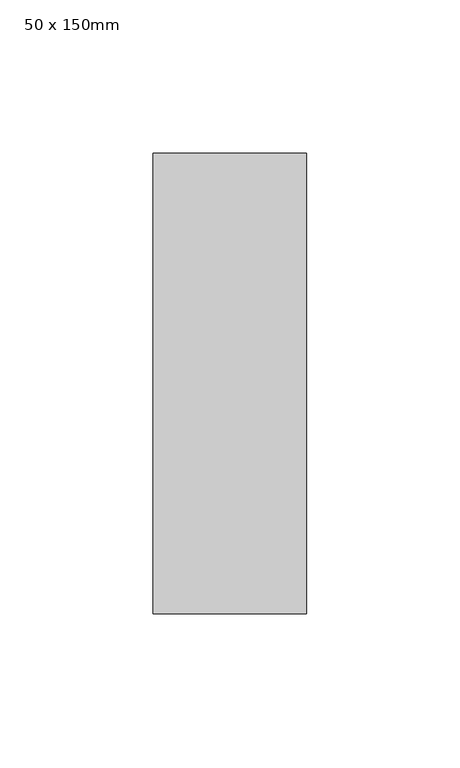
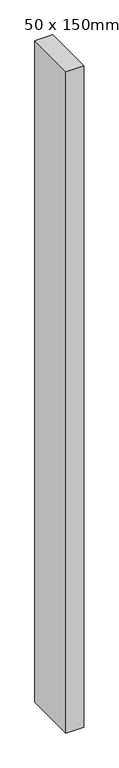
"""IFC4 building model written with IfcOpenShell, lengths in millimetres: member geometry, 50 x 150mm."""

from ifc_helpers import new_model, si_unit, frame, origin, place, context, project, spatial, polyline, outline, extrude, source, transform, mapped, element, save


def member_50_x_150mm_e1845f1f(model_context):
    return source(origin(), model_context, "Body", "SweptSolid", [
        extrude(outline(polyline([(0.0, 75.0), (0.0, -75.0), (-50.0, -75.0), (-50.0, 75.0), (0.0, 75.0)])), frame((0.0, 0.0, -1950.0), z_axis=(0.0, 0.0, 1.0), x_axis=(1.0, 0.0, 0.0)), (0.0, 0.0, 1.0), 1950.0),
    ])


if __name__ == "__main__":
    model = new_model("IFC4")
    model_context = context("Model", 3, world=origin())
    ifc_project = project(units=[si_unit("LENGTHUNIT", "METRE", prefix="MILLI")], contexts=[model_context])
    site = spatial("IfcSite", under=ifc_project)
    building = spatial("IfcBuilding", under=site)
    placement = place(None, origin())
    member_50_x_150mm_shape = member_50_x_150mm_e1845f1f(model_context)
    element("IfcMember", 1, ObjectType="50 x 150mm", at=placement, inside=building, context=model_context, shape_type="MappedRepresentation", body=[
        mapped(member_50_x_150mm_shape, transform((0.0, 0.0, 0.0), x_axis=(1.0, 0.0, 0.0), y_axis=(0.0, 1.0, 0.0), z_axis=(0.0, 0.0, 1.0))),
    ])
    save(model, "model.ifc")
